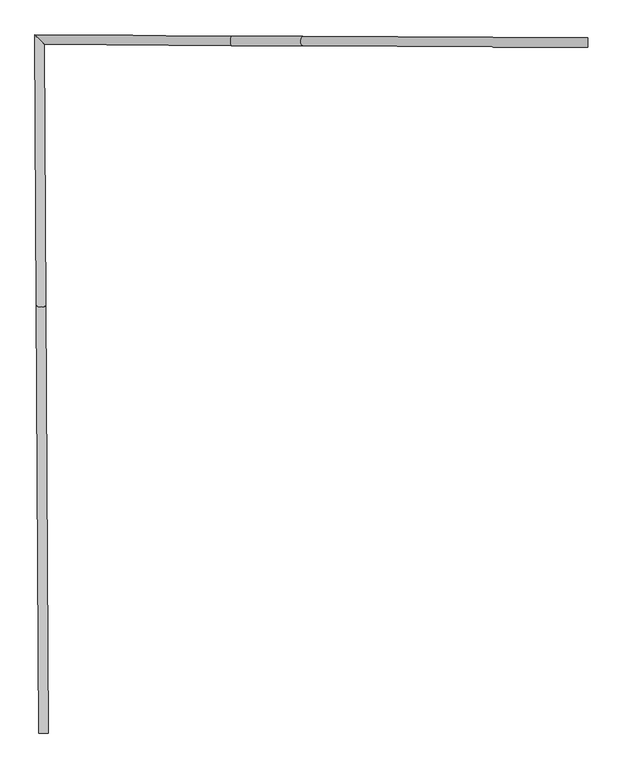
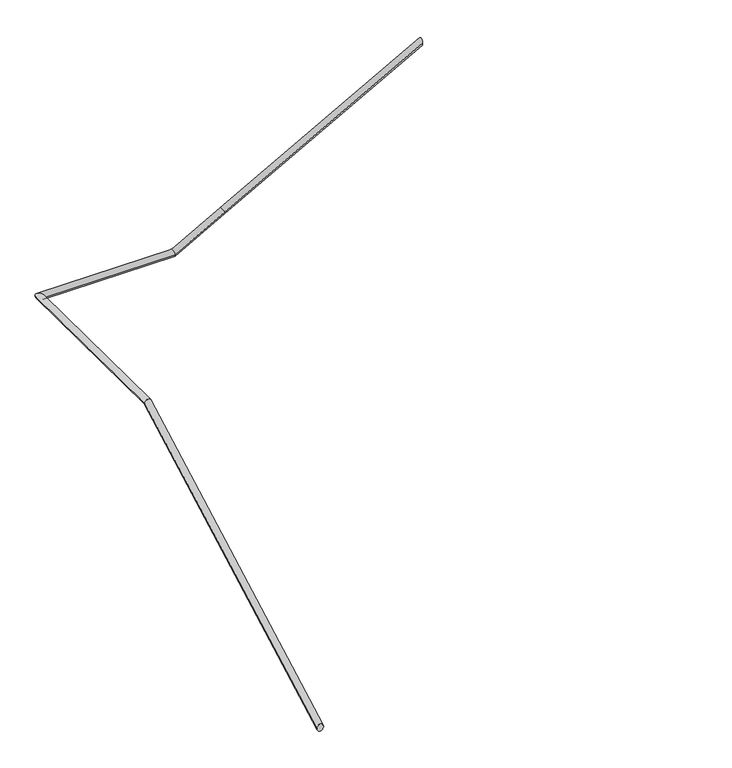
"""IFC4 building model written with IfcOpenShell, lengths in millimetres: railing geometry."""

from ifc_helpers import new_model, si_unit, frame, origin, place, context, project, spatial, circle_curve, ellipse_curve, source, transform, mapped, element, save
from ifc_brep_helpers import plane_surface, cylinder_surface, advanced_brep


def railing_192fc616(model_context):
    return source(origin(), model_context, "Body", "AdvancedBrep", [
        advanced_brep(
        [(-56494.7448134, -13466.1245071, -3445.5), (-56454.7454773, -13465.8940511, -3445.5), (-56461.0814068, -12366.1915009, -3445.5), (-56501.3137947, -12325.9720691, -3445.5), (-55673.8145524, -12370.4737614, -3445.5), (-55673.5969796, -12330.4743531, -3445.5), (-55373.8189903, -12372.1055577, -3278.0833333), (-55373.6014175, -12332.1061495, -3278.0833333), (-54173.8362376, -12378.6099178, -2608.4164543), (-54173.6194256, -12338.6105054, -2608.416879), (-56444.3749604, -15265.8641765, -4450.0), (-56484.3742966, -15266.0946325, -4450.0)],
        [
            (0, 1, ellipse_curve(frame((-56474.7451454, -13466.0092791, -3445.5), z_axis=(-0.0055758146038514195, 0.9677723722520211, 0.25176486211780913), x_axis=(0.0014505176386777445, -0.2517606835782319, 0.9677884346295947)), 20.6656737, 20.0)),
            (1, 2),
            (2, 3, ellipse_curve(frame((-56481.1976008, -12346.081785, -3445.5), z_axis=(-0.7069928987387165, -0.7072206452960963, 0.0), x_axis=(0.7072206452960963, -0.7069928987387165, 0.0)), 28.444014, 20.0)),
            (3, 0),
            (1, 0, ellipse_curve(frame((-56474.7451454, -13466.0092791, -3445.5), z_axis=(-0.0055758146038514195, 0.9677723722520211, 0.25176486211780913), x_axis=(0.0014505176386777445, -0.2517606835782319, 0.9677884346295947)), 20.6656737, 20.0)),
            (3, 2, ellipse_curve(frame((-56481.1976008, -12346.081785, -3445.5), z_axis=(-0.7069928987387165, -0.7072206452960963, 0.0), x_axis=(0.7072206452960963, -0.7069928987387165, 0.0)), 28.444014, 20.0)),
            (2, 4),
            (4, 5, ellipse_curve(frame((-55673.705766, -12350.4740573, -3445.5), z_axis=(-0.96777411793582, 0.005264111996016865, -0.251764862080551), x_axis=(-0.25176113766853647, 0.0013694299117644319, 0.9677884346392868)), 20.6656737, 20.0)),
            (5, 3),
            (5, 4, ellipse_curve(frame((-55673.705766, -12350.4740573, -3445.5), z_axis=(-0.96777411793582, 0.005264111996016865, -0.251764862080551), x_axis=(-0.25176113766853647, 0.0013694299117644319, 0.9677884346392868)), 20.6656737, 20.0)),
            (4, 6),
            (6, 7, circle_curve(frame((-55373.7102039, -12352.1058536, -3278.0833333), z_axis=(-0.8732159905791624, 0.004749772375526703, -0.4873102435402248), x_axis=(0.005439321041255329, 0.9999852067838855, 0.0)), 20.0)),
            (7, 5),
            (7, 6, circle_curve(frame((-55373.7102039, -12352.1058536, -3278.0833333), z_axis=(-0.8732159905791624, 0.004749772375526703, -0.4873102435402248), x_axis=(0.005439321041255329, 0.9999852067838855, 0.0)), 20.0)),
            (8, 9, ellipse_curve(frame((-54173.7278316, -12358.6102116, -2608.4166667), z_axis=(0.9999853100751177, -0.005420298328587125, 0.0), x_axis=(0.0, 0.0, -0.9999999999999999)), 22.9035019, 20.0)),
            (9, 8, ellipse_curve(frame((-54173.7278316, -12358.6102116, -2608.4166667), z_axis=(0.9999853100751177, -0.005420298328587125, 0.0), x_axis=(0.0, 0.0, -0.9999999999999999)), 22.9035019, 20.0)),
            (6, 8),
            (9, 7),
            (10, 11, ellipse_curve(frame((-56464.3746285, -15265.9794045, -4450.0), z_axis=(0.0057613982605443145, -0.9999834030073116, 0.0), x_axis=(0.0, 0.0, -1.0)), 22.9035019, 20.0)),
            (11, 10, ellipse_curve(frame((-56464.3746285, -15265.9794045, -4450.0), z_axis=(0.0057613982605443145, -0.9999834030073116, 0.0), x_axis=(0.0, 0.0, -1.0)), 22.9035019, 20.0)),
            (10, 1),
            (0, 11),
        ],
        [
            cylinder_surface(frame((-56474.7451454, -13466.0092791, -3445.5), z_axis=(0.00576139826054735, -0.9999834030073116, 0.0), x_axis=(-0.9999834030073116, -0.00576139826054735, 0.0)), 20.0),
            cylinder_surface(frame((-56481.1976008, -12346.081785, -3445.5), z_axis=(-0.9999852067838855, 0.005439321041255406, 0.0), x_axis=(0.005439321041255406, 0.9999852067838855, 0.0)), 20.0),
            cylinder_surface(frame((-55673.705766, -12350.4740573, -3445.5), z_axis=(-0.8732159905791622, 0.004749772375526702, -0.4873102435402247), x_axis=(0.005439321041255329, 0.9999852067838855, 0.0)), 20.0),
            plane_surface(frame((-54173.7278316, -12358.6102116, -2608.4166667), z_axis=(0.9999853100751177, -0.005420298328587125, 0.0), x_axis=(0.005420298328587125, 0.9999853100751177, 0.0))),
            cylinder_surface(frame((-55373.7102039, -12352.1058536, -3278.0833333), z_axis=(-0.8732160807760524, 0.0047331611929082055, -0.48731024354022484), x_axis=(0.0054248156763897415, 0.9999852855464173, -8.09491877976691e-06)), 20.0),
            plane_surface(frame((-56464.3746285, -15265.9794045, -4450.0), z_axis=(0.0057613982605443145, -0.9999834030073116, 0.0), x_axis=(0.9999834030073116, 0.0057613982605443145, 0.0))),
            cylinder_surface(frame((-56464.3746285, -15265.9794045, -4450.0), z_axis=(0.005031019513945042, -0.8732144154317931, -0.4873102436074602), x_axis=(-0.9999834030073116, -0.005761398260544315, 0.0)), 20.0),
        ],
        [
            (0, [[1, 2, 3, 4]]),
            (0, [[5, -4, 6, -2]]),
            (1, [[-3, 7, 8, 9]]),
            (1, [[-6, -9, 10, -7]]),
            (2, [[-8, 11, 12, 13]]),
            (2, [[-10, -13, 14, -11]]),
            (3, [[15, 16]]),
            (4, [[-12, 17, -16, 18]]),
            (4, [[-14, -18, -15, -17]]),
            (5, [[19, 20]]),
            (6, [[-19, 21, -1, 22]]),
            (6, [[-20, -22, -5, -21]]),
        ],
    ),
    ])


if __name__ == "__main__":
    model = new_model("IFC4")
    model_context = context("Model", 3, world=origin())
    ifc_project = project(units=[si_unit("LENGTHUNIT", "METRE", prefix="MILLI")], contexts=[model_context])
    site = spatial("IfcSite", under=ifc_project)
    building = spatial("IfcBuilding", under=site)
    placement = place(None, origin())
    railing_shape = railing_192fc616(model_context)
    element("IfcRailing", 1, at=placement, inside=building, context=model_context, shape_type="MappedRepresentation", body=[
        mapped(railing_shape, transform((0.0, 0.0, 0.0), x_axis=(1.0, 0.0, 0.0), y_axis=(0.0, 1.0, 0.0), z_axis=(0.0, 0.0, 1.0))),
    ])
    save(model, "model.ifc")
